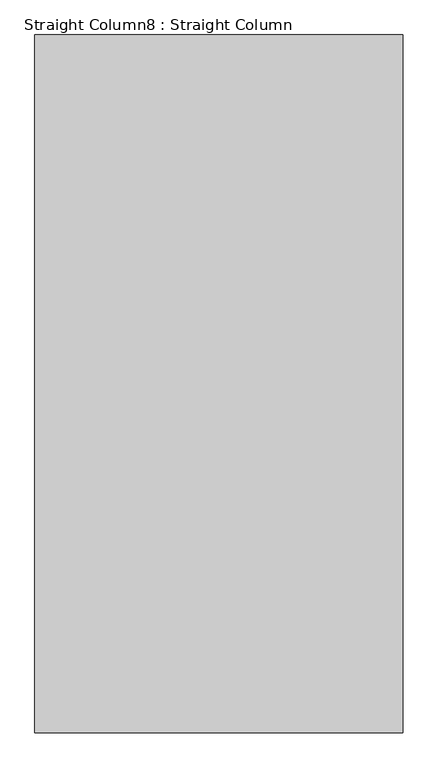
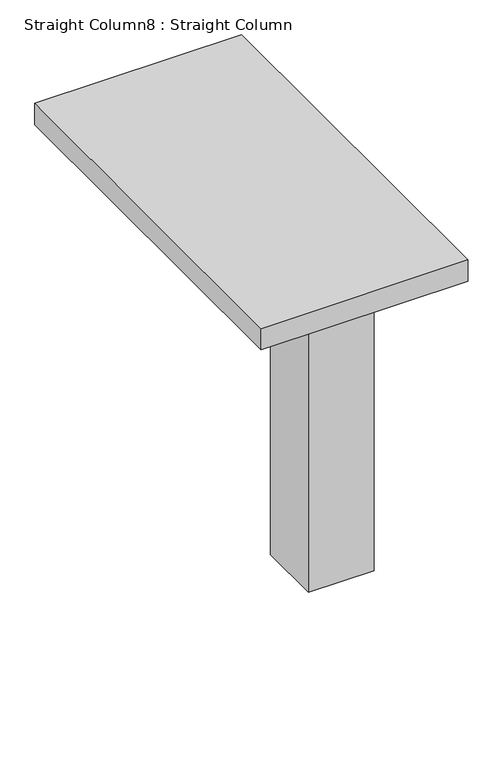
"""IFC4 building model written with IfcOpenShell, lengths in millimetres: column geometry, Straight Column8 : Straight Column."""

import ifcopenshell
import ifcopenshell.guid

model = None  # the IFC model being written
_history = None  # IfcOwnerHistory: only IFC2X3 demands one
_inside = {}  # id of a spatial element -> (the spatial element, [elements in it])
_under = {}  # id of a project, library or spatial element -> (it, [spatial elements below it])
_declared = {}  # id of a project -> (the project, [libraries it declares])
_typed = {}  # id of a type object -> (the type object, [elements of that type])
_made_of = {}  # id of a material, layer set ... -> (it, [elements and type objects made of it])


def new_model(schema):
    """Start an empty IFC model of exactly this schema.

    Asked for "IFC4X3", IfcOpenShell would pick the latest addendum, in which some entities
    have other attributes; the version numbers below select the first issue.
    IFC2X3 requires an IfcOwnerHistory on every rooted entity: one is made here for all.
    """
    global model, _history
    if schema == "IFC4X3":
        model = ifcopenshell.file(schema_version=(4, 3, 0, 0))
    else:
        model = ifcopenshell.file(schema=schema)
    _inside.clear()
    _under.clear()
    _declared.clear()
    _typed.clear()
    _made_of.clear()
    _history = None
    if model.schema == "IFC2X3":
        org = make("IfcOrganization", Name="unknown")
        user = make(
            "IfcPersonAndOrganization",
            ThePerson=make("IfcPerson", FamilyName="unknown"),
            TheOrganization=org,
        )
        app = make(
            "IfcApplication",
            ApplicationDeveloper=org,
            Version="unknown",
            ApplicationFullName="unknown",
            ApplicationIdentifier="unknown",
        )
        _history = make(
            "IfcOwnerHistory",
            OwningUser=user,
            OwningApplication=app,
            ChangeAction="ADDED",
            CreationDate=0,
        )
    return model


def make(cls, **values):
    """One entity of the class cls with the attributes given. An attribute that is None is left unset."""
    return model.create_entity(
        cls, **{name: value for name, value in values.items() if value is not None}
    )


def rooted(cls, **values):
    """An entity with a GlobalId (a new one), such as an element, a storey or a relation."""
    return make(cls, GlobalId=ifcopenshell.guid.new(), OwnerHistory=_history, **values)


def si_unit(unit_type, name, prefix=None):
    """IfcSIUnit, for example si_unit("LENGTHUNIT", "METRE", prefix="MILLI")."""
    return make("IfcSIUnit", UnitType=unit_type, Prefix=prefix, Name=name)


def assignment(units):
    """IfcUnitAssignment: the units of a project."""
    return None if units is None else make("IfcUnitAssignment", Units=units)


def point(xyz):
    """IfcCartesianPoint."""
    return None if xyz is None else make("IfcCartesianPoint", Coordinates=xyz)


def direction(xyz):
    """IfcDirection."""
    return None if xyz is None else make("IfcDirection", DirectionRatios=xyz)


def frame(location, z_axis=None, x_axis=None):
    """IfcAxis2Placement3D, a coordinate frame: its origin and axes. An axis left out is left unset."""
    return make(
        "IfcAxis2Placement3D",
        Location=point(location),
        Axis=direction(z_axis),
        RefDirection=direction(x_axis),
    )


def origin():
    """The frame at (0, 0, 0) with its axes left unset."""
    return frame((0.0, 0.0, 0.0))


def origin_with_axes():
    """The frame at (0, 0, 0) with the z axis (0, 0, 1) and the x axis (1, 0, 0) written out."""
    return frame((0.0, 0.0, 0.0), z_axis=(0.0, 0.0, 1.0), x_axis=(1.0, 0.0, 0.0))


def place(relative_to, where):
    """IfcLocalPlacement: puts the frame where relative to a parent placement (None: the world)."""
    return make(
        "IfcLocalPlacement", PlacementRelTo=relative_to, RelativePlacement=where
    )


def context(
    kind, dimensions, precision=None, world=None, true_north=None, identifier=None
):
    """IfcGeometricRepresentationContext, for example the 3D "Model" context."""
    return make(
        "IfcGeometricRepresentationContext",
        ContextIdentifier=identifier,
        ContextType=kind,
        CoordinateSpaceDimension=dimensions,
        Precision=precision,
        WorldCoordinateSystem=world,
        TrueNorth=true_north,
    )


def project(units=None, contexts=None):
    """IfcProject with its units and contexts."""
    return rooted(
        "IfcProject",
        Name="project",
        RepresentationContexts=contexts,
        UnitsInContext=assignment(units),
    )


def spatial(cls, under=None, at=None, **own):
    """A site, building, storey or space (cls), placed at a placement, below another one or the project."""
    s = rooted(cls, ObjectPlacement=at, **own)
    if under is not None:
        _under.setdefault(under.id(), (under, []))[1].append(s)
    return s


def polyline(points):
    """IfcPolyline through the points."""
    return make("IfcPolyline", Points=[point(p) for p in points])


def outline(outer, holes=None, kind="AREA"):
    """IfcArbitraryClosedProfileDef: a profile drawn as a closed curve; with holes, ...WithVoids."""
    if holes is None:
        return make("IfcArbitraryClosedProfileDef", ProfileType=kind, OuterCurve=outer)
    return make(
        "IfcArbitraryProfileDefWithVoids",
        ProfileType=kind,
        OuterCurve=outer,
        InnerCurves=holes,
    )


def extrude(swept, where, along, depth):
    """IfcExtrudedAreaSolid: the profile swept, set in the frame where, extruded along a direction by depth."""
    return make(
        "IfcExtrudedAreaSolid",
        SweptArea=swept,
        Position=where,
        ExtrudedDirection=direction(along),
        Depth=depth,
    )


def shape(context_of_items, identifier, shape_type, items):
    """IfcShapeRepresentation: the items that make up one representation, for example the "Body"."""
    return make(
        "IfcShapeRepresentation",
        ContextOfItems=context_of_items,
        RepresentationIdentifier=identifier,
        RepresentationType=shape_type,
        Items=items,
    )


def source(mapping_origin, context_of_items, identifier, shape_type, items):
    """IfcRepresentationMap: a shape defined once, which mapped items show again and again."""
    return make(
        "IfcRepresentationMap",
        MappingOrigin=mapping_origin,
        MappedRepresentation=shape(context_of_items, identifier, shape_type, items),
    )


def transform(
    local_origin,
    x_axis=None,
    y_axis=None,
    z_axis=None,
    scale=None,
    scale2=None,
    scale3=None,
    uniform=True,
):
    """IfcCartesianTransformationOperator3D, or its non-uniform kind. x_axis, y_axis, z_axis: its Axis1, 2, 3."""
    if uniform:
        return make(
            "IfcCartesianTransformationOperator3D",
            Axis1=direction(x_axis),
            Axis2=direction(y_axis),
            LocalOrigin=point(local_origin),
            Scale=scale,
            Axis3=direction(z_axis),
        )
    return make(
        "IfcCartesianTransformationOperator3DnonUniform",
        Axis1=direction(x_axis),
        Axis2=direction(y_axis),
        LocalOrigin=point(local_origin),
        Scale=scale,
        Axis3=direction(z_axis),
        Scale2=scale2,
        Scale3=scale3,
    )


def mapped(mapping_source, mapping_target):
    """IfcMappedItem: shows the shape of a source again, moved by a transform."""
    return make(
        "IfcMappedItem", MappingSource=mapping_source, MappingTarget=mapping_target
    )


def made_of(thing, what):
    """Note that an element or type object is made of a material, layer set ...; save() writes the relation."""
    if what is not None:
        _made_of.setdefault(what.id(), (what, []))[1].append(thing)
    return thing


def element(
    cls,
    number,
    at=None,
    inside=None,
    cuts=None,
    type_object=None,
    material=None,
    context=None,
    identifier="Body",
    shape_type=None,
    held_by="IfcProductDefinitionShape",
    body=None,
    shapes=None,
    **own,
):
    """One element of the class cls, such as IfcWall. Its Tag is "e" and its number.

    at: its placement. inside: the storey or other place that contains it. cuts: it is an
    opening in that element (IfcRelVoidsElement). A single representation is given by context,
    identifier, shape_type and body (its items); several are given by shapes. held_by: the class
    of the entity that holds the representations. save() writes the other relations.
    """
    e = rooted(cls, Tag="e%d" % number, ObjectPlacement=at, **own)
    if body is not None:
        shapes = [shape(context, identifier, shape_type, body)]
    if shapes is not None:
        e.Representation = make(held_by, Representations=shapes)
    if inside is not None:
        _inside.setdefault(inside.id(), (inside, []))[1].append(e)
    if cuts is not None:
        rooted(
            "IfcRelVoidsElement", RelatingBuildingElement=cuts, RelatedOpeningElement=e
        )
    if type_object is not None:
        _typed.setdefault(type_object.id(), (type_object, []))[1].append(e)
    return made_of(e, material)


def aggregate(whole, parts):
    """IfcRelAggregates: a whole, such as a stair, and the parts it consists of."""
    return rooted("IfcRelAggregates", RelatingObject=whole, RelatedObjects=parts)


def save(model, path):
    """Write the relations noted so far, then the file.

    IfcRelAggregates (storeys below a building ...), IfcRelContainedInSpatialStructure (elements
    in a storey), IfcRelDefinesByType, IfcRelAssociatesMaterial and IfcRelDeclares: one each for
    every whole, place, type object, material and project.
    """
    for whole, parts in _under.values():
        aggregate(whole, parts)
    for where, things in _inside.values():
        rooted(
            "IfcRelContainedInSpatialStructure",
            RelatedElements=things,
            RelatingStructure=where,
        )
    for kind, things in _typed.values():
        rooted("IfcRelDefinesByType", RelatedObjects=things, RelatingType=kind)
    for what, things in _made_of.values():
        rooted("IfcRelAssociatesMaterial", RelatedObjects=things, RelatingMaterial=what)
    for by, libraries in _declared.values():
        rooted("IfcRelDeclares", RelatingContext=by, RelatedDefinitions=libraries)
    model.write(path)


def straight_column8_straight_column_70be209d(model_context):
    return source(origin(), model_context, "Body", "SweptSolid", [
        extrude(outline(polyline([(17831.4351689, 18897.6000002), (16383.636714, 18897.6000002), (16383.636714, 21640.8000003), (17831.4351689, 21640.8000003), (17831.4351689, 18897.6000002)])), frame((0.0, 0.0, 2832.1), z_axis=(0.0, 0.0, 1.0), x_axis=(1.0, 0.0, 0.0)), (0.0, 0.0, 1.0), 158.75),
        extrude(outline(polyline([(17831.4351689, 20040.6000003), (17374.2351689, 20040.6000003), (17374.2351689, 20497.8000003), (17831.4351689, 20497.8000003), (17831.4351689, 20040.6000003)])), origin_with_axes(), (0.0, 0.0, 1.0), 2832.1),
    ])


if __name__ == "__main__":
    model = new_model("IFC4")
    model_context = context("Model", 3, world=origin())
    ifc_project = project(units=[si_unit("LENGTHUNIT", "METRE", prefix="MILLI")], contexts=[model_context])
    site = spatial("IfcSite", under=ifc_project)
    building = spatial("IfcBuilding", under=site)
    placement = place(None, origin())
    straight_column8_straight_column_shape = straight_column8_straight_column_70be209d(model_context)
    element("IfcColumn", 1, ObjectType="Straight Column8 : Straight Column", at=placement, inside=building, context=model_context, shape_type="MappedRepresentation", body=[
        mapped(straight_column8_straight_column_shape, transform((0.0, 0.0, 0.0), x_axis=(1.0, 0.0, 0.0), y_axis=(0.0, 1.0, 0.0), z_axis=(0.0, 0.0, 1.0))),
    ])
    save(model, "model.ifc")
